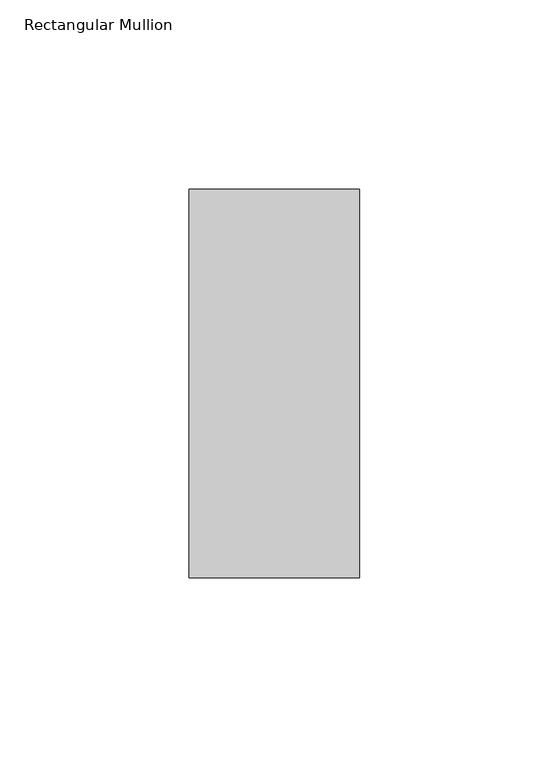
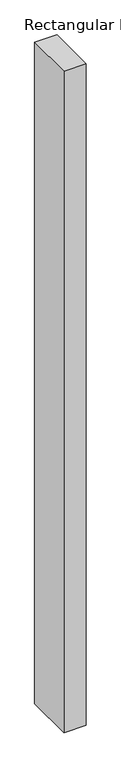
"""IFC4 building model written with IfcOpenShell, lengths in millimetres: member geometry, Rectangular Mullion."""

from ifc_helpers import new_model, si_unit, frame, origin, place, context, project, spatial, polyline, outline, extrude, source, transform, mapped, element, save


def rectangular_mullion_ceb952b1(model_context):
    return source(origin(), model_context, "Body", "SweptSolid", [
        extrude(outline(polyline([(0.0, 66.73125), (0.0, -35.73125), (-45.0, -35.73125), (-45.0, 66.73125), (0.0, 66.73125)])), frame((0.0, 0.0, -1420.1808809), z_axis=(0.0, 0.0, 1.0), x_axis=(1.0, 0.0, 0.0)), (0.0, 0.0, 1.0), 1420.1808809),
    ])


if __name__ == "__main__":
    model = new_model("IFC4")
    model_context = context("Model", 3, world=origin())
    ifc_project = project(units=[si_unit("LENGTHUNIT", "METRE", prefix="MILLI")], contexts=[model_context])
    site = spatial("IfcSite", under=ifc_project)
    building = spatial("IfcBuilding", under=site)
    placement = place(None, origin())
    rectangular_mullion_shape = rectangular_mullion_ceb952b1(model_context)
    element("IfcMember", 1, ObjectType="Rectangular Mullion", at=placement, inside=building, context=model_context, shape_type="MappedRepresentation", body=[
        mapped(rectangular_mullion_shape, transform((0.0, 0.0, 0.0), x_axis=(1.0, 0.0, 0.0), y_axis=(0.0, 1.0, 0.0), z_axis=(0.0, 0.0, 1.0))),
    ])
    save(model, "model.ifc")
